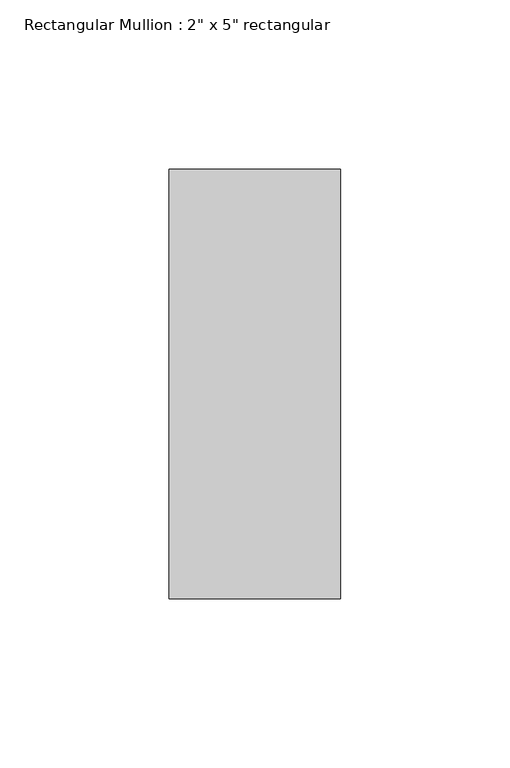
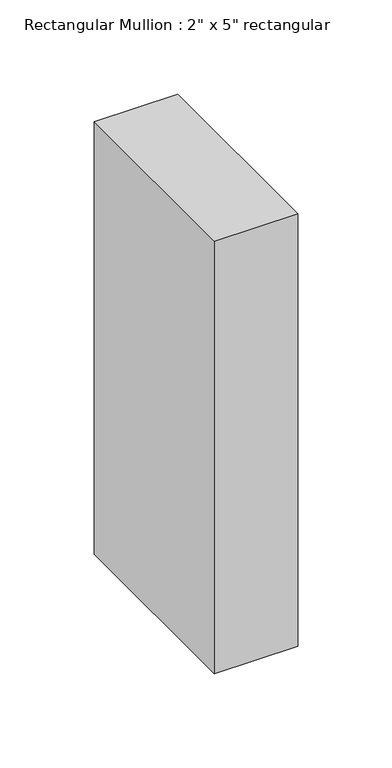
"""IFC4 building model written with IfcOpenShell, lengths in millimetres: member geometry."""

from ifc_helpers import new_model, si_unit, frame, origin, place, context, project, spatial, polyline, outline, extrude, source, transform, mapped, element, save


def member_7422a74b(model_context):
    return source(origin(), model_context, "Body", "SweptSolid", [
        extrude(outline(polyline([(0.0, 63.5), (0.0, -63.5), (-50.8, -63.5), (-50.8, 63.5), (0.0, 63.5)])), frame((0.0, 0.0, -279.4), z_axis=(0.0, 0.0, 1.0), x_axis=(1.0, 0.0, 0.0)), (0.0, 0.0, 1.0), 279.4),
    ])


if __name__ == "__main__":
    model = new_model("IFC4")
    model_context = context("Model", 3, world=origin())
    ifc_project = project(units=[si_unit("LENGTHUNIT", "METRE", prefix="MILLI")], contexts=[model_context])
    site = spatial("IfcSite", under=ifc_project)
    building = spatial("IfcBuilding", under=site)
    placement = place(None, origin())
    member_shape = member_7422a74b(model_context)
    element("IfcMember", 1, ObjectType="Rectangular Mullion : 2\" x 5\" rectangular", at=placement, inside=building, context=model_context, shape_type="MappedRepresentation", body=[
        mapped(member_shape, transform((0.0, 0.0, 0.0), x_axis=(1.0, 0.0, 0.0), y_axis=(0.0, 1.0, 0.0), z_axis=(0.0, 0.0, 1.0))),
    ])
    save(model, "model.ifc")
